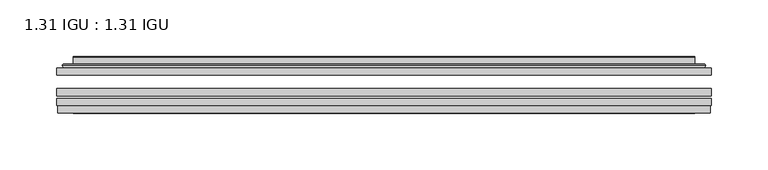
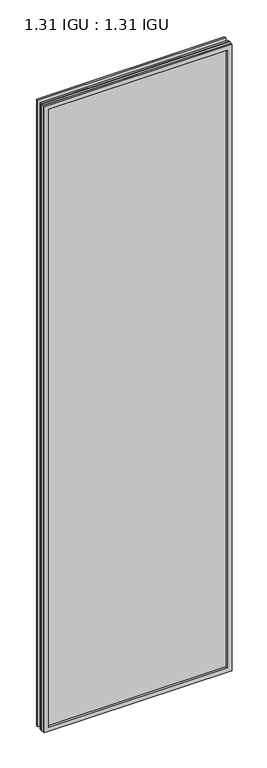
"""IFC4 building model written with IfcOpenShell, lengths in millimetres: plate geometry, 1.31 IGU : 1.31 IGU."""

from ifc_helpers import new_model, si_unit, frame, origin, place, context, project, spatial, polyline, ellipse_curve, outline, extrude, faceted_brep, source, transform, mapped, element, save
from ifc_brep_helpers import plane_surface, cylinder_surface, advanced_brep


def plate_1_31_igu_1_31_igu_deeb4e13(model_context):
    return source(origin(), model_context, "Body", "SolidModel", [
        extrude(outline(polyline([(287.351675, -63.59525), (287.351675, -69.94525), (-287.3375, -69.94525), (-287.3375, -63.59525), (287.351675, -63.59525)])), frame((0.0, 0.0, -14.2875), z_axis=(0.0, 0.0, 1.0), x_axis=(1.0, 0.0, 0.0)), (0.0, 0.0, 1.0), 2022.4787979),
        extrude(outline(polyline([(-287.3375, -78.58125), (-287.3375, -72.230745), (287.351675, -72.230745), (287.351675, -78.58125), (-287.3375, -78.58125)])), frame((0.0, 0.0, -14.2875), z_axis=(0.0, 0.0, 1.0), x_axis=(1.0, 0.0, 0.0)), (0.0, 0.0, 1.0), 2022.4787979),
        extrude(outline(polyline([(287.351675, -45.25645), (287.351675, -51.60645), (-287.3375, -51.60645), (-287.3375, -45.25645), (287.351675, -45.25645)])), frame((0.0, 0.0, -14.2875), z_axis=(0.0, 0.0, 1.0), x_axis=(1.0, 0.0, 0.0)), (0.0, 0.0, 1.0), 2022.4787979),
        faceted_brep([(-286.6373142, -84.93125, 2007.4873142), (-286.6373142, -78.58125, 2007.4873142), (-286.6373142, -78.58125, -13.5873142), (-286.6373142, -84.93125, -13.5873142), (286.6373142, -78.58125, -13.5873142), (286.6373142, -84.93125, -13.5873142), (286.6373142, -78.58125, 2007.4873142), (286.6373142, -84.93125, 2007.4873142), (-272.1522559, -78.58125, 0.8977441), (272.1522559, -78.58125, 0.8977441), (272.1522559, -78.58125, 1993.0022559), (-272.1522559, -78.58125, 1993.0022559), (-273.0446902, -84.93125, 1993.8946902), (273.0446902, -84.93125, 1993.8946902), (273.0446902, -84.93125, 0.0053098), (-273.0446902, -84.93125, 0.0053098)], [[[0, 1, 2, 3]], [[3, 2, 4, 5]], [[5, 4, 6, 7]], [[1, 6, 4, 2], [8, 9, 10, 11]], [[7, 6, 1, 0]], [[3, 5, 7, 0], [12, 13, 14, 15]], [[11, 12, 15, 8]], [[8, 15, 14, 9]], [[9, 14, 13, 10]], [[10, 13, 12, 11]]]),
        advanced_brep(
        [(-280.096219, -45.25645, 2000.946219), (-282.4504244, -43.2667833, 2003.3004244), (-282.4504244, -43.2667833, -9.4004244), (-280.096219, -45.25645, -7.046219), (-271.0218939, -41.416413, 1991.8718939), (-266.0870621, -45.25645, 1986.9370621), (-266.0870621, -45.25645, 6.9629379), (-271.0218939, -41.416413, 2.0281061), (-272.0539217, -36.0191819, 1992.9039217), (-272.0539217, -36.0191819, 0.9960783), (-273.0445784, -35.6202069, 1993.8945784), (-273.0445784, -35.6202069, 0.0054216), (-273.0445784, -42.08145, 1993.8945784), (-273.0445784, -42.08145, 0.0054216), (-281.4486349, -42.08145, 2002.2986349), (-281.4486349, -42.08145, -8.3986349), (282.4504244, -43.2667833, -9.4004244), (280.096219, -45.25645, -7.046219), (266.0870621, -45.25645, 6.9629379), (271.0218939, -41.416413, 2.0281061), (272.0539217, -36.0191819, 0.9960783), (273.0445784, -35.6202069, 0.0054216), (273.0445784, -42.08145, 0.0054216), (281.4486349, -42.08145, -8.3986349), (282.4504244, -43.2667833, 2003.3004244), (280.096219, -45.25645, 2000.946219), (266.0870621, -45.25645, 1986.9370621), (271.0218939, -41.416413, 1991.8718939), (272.0539217, -36.0191819, 1992.9039217), (273.0445784, -35.6202069, 1993.8945784), (273.0445784, -42.08145, 1993.8945784), (281.4486349, -42.08145, 2002.2986349)],
        [
            (0, 1, ellipse_curve(frame((-280.096219, -42.86885, 2000.946219), z_axis=(-0.7071067811865475, 0.0, -0.7071067811865475), x_axis=(-0.7071067811865474, 0.0, 0.7071067811865476)), 3.3765763, 2.3876)),
            (1, 2),
            (2, 3, ellipse_curve(frame((-280.096219, -42.86885, -7.046219), z_axis=(-0.7071067811865475, 0.0, 0.7071067811865475), x_axis=(0.7071067811865474, 0.0, 0.7071067811865476)), 3.3765763, 2.3876)),
            (3, 0),
            (4, 5),
            (5, 6),
            (6, 7),
            (7, 4),
            (8, 4),
            (7, 9),
            (9, 8),
            (10, 8, ellipse_curve(frame((-272.6776219, -36.1384423, 1993.5276219), z_axis=(-0.7071067811865475, 0.0, -0.7071067811865475), x_axis=(-0.7071067811865474, 0.0, 0.7071067811865476)), 0.8980256, 0.635)),
            (9, 11, ellipse_curve(frame((-272.6776219, -36.1384423, 0.3723781), z_axis=(-0.7071067811865475, 0.0, 0.7071067811865475), x_axis=(0.7071067811865474, 0.0, 0.7071067811865476)), 0.8980256, 0.635)),
            (11, 10),
            (12, 10),
            (11, 13),
            (13, 12),
            (1, 14, ellipse_curve(frame((-281.4486349, -43.09745, 2002.2986349), z_axis=(-0.7071067811865475, 0.0, -0.7071067811865475), x_axis=(-0.7071067811865474, 0.0, 0.7071067811865476)), 1.436841, 1.016)),
            (14, 15),
            (15, 2, ellipse_curve(frame((-281.4486349, -43.09745, -8.3986349), z_axis=(-0.7071067811865475, 0.0, 0.7071067811865475), x_axis=(0.7071067811865474, 0.0, 0.7071067811865476)), 1.436841, 1.016)),
            (2, 16),
            (16, 17, ellipse_curve(frame((280.096219, -42.86885, -7.046219), z_axis=(-0.7071067811865475, 0.0, -0.7071067811865475), x_axis=(-0.7071067811865476, 0.0, 0.7071067811865474)), 3.3765763, 2.3876)),
            (17, 3),
            (6, 18),
            (18, 19),
            (19, 7),
            (19, 20),
            (20, 9),
            (20, 21, ellipse_curve(frame((272.6776219, -36.1384423, 0.3723781), z_axis=(-0.7071067811865475, 0.0, -0.7071067811865475), x_axis=(-0.7071067811865476, 0.0, 0.7071067811865474)), 0.8980256, 0.635)),
            (21, 11),
            (21, 22),
            (22, 13),
            (15, 23),
            (23, 16, ellipse_curve(frame((281.4486349, -43.09745, -8.3986349), z_axis=(-0.7071067811865475, 0.0, -0.7071067811865475), x_axis=(-0.7071067811865476, 0.0, 0.7071067811865474)), 1.436841, 1.016)),
            (16, 24),
            (24, 25, ellipse_curve(frame((280.096219, -42.86885, 2000.946219), z_axis=(0.7071067811865475, 0.0, -0.7071067811865475), x_axis=(-0.7071067811865474, 0.0, -0.7071067811865476)), 3.3765763, 2.3876)),
            (25, 17),
            (18, 26),
            (26, 27),
            (27, 19),
            (27, 28),
            (28, 20),
            (28, 29, ellipse_curve(frame((272.6776219, -36.1384423, 1993.5276219), z_axis=(0.7071067811865475, 0.0, -0.7071067811865475), x_axis=(-0.7071067811865474, 0.0, -0.7071067811865476)), 0.8980256, 0.635)),
            (29, 21),
            (29, 30),
            (30, 22),
            (23, 31),
            (31, 24, ellipse_curve(frame((281.4486349, -43.09745, 2002.2986349), z_axis=(0.7071067811865475, 0.0, -0.7071067811865475), x_axis=(-0.7071067811865474, 0.0, -0.7071067811865476)), 1.436841, 1.016)),
            (24, 1),
            (0, 25),
            (5, 26),
            (4, 27),
            (8, 28),
            (10, 29),
            (12, 30),
            (14, 31),
        ],
        [
            cylinder_surface(frame((-280.096219, -42.86885, 2025.65), z_axis=(0.0, 0.0, 1.0), x_axis=(-1.0, 0.0, 0.0)), 2.3876),
            plane_surface(frame((-266.0870621, -45.25645, 1986.9370621), z_axis=(0.6141233906514794, 0.7892100234124821, 0.0), x_axis=(0.0, 0.0, -1.0))),
            plane_surface(frame((-271.0218939, -41.416413, 1991.8718939), z_axis=(0.9822050625507729, 0.18781164793386076, 0.0), x_axis=(0.0, 0.0, -1.0))),
            cylinder_surface(frame((-272.6776219, -36.1384423, 2025.65), z_axis=(0.0, 0.0, 1.0), x_axis=(-1.0, 0.0, 0.0)), 0.635),
            plane_surface(frame((-273.0445784, -35.6202069, 1993.8945784), z_axis=(-1.0, 0.0, 0.0), x_axis=(0.0, 0.0, -1.0))),
            cylinder_surface(frame((-281.4486349, -43.09745, 2025.65), z_axis=(0.0, 0.0, 1.0), x_axis=(-1.0, 0.0, 0.0)), 1.016),
            cylinder_surface(frame((-304.8, -42.86885, -7.046219), z_axis=(-1.0, 0.0, 0.0), x_axis=(0.0, 0.0, -1.0)), 2.3876),
            plane_surface(frame((-266.0870621, -45.25645, 6.9629379), z_axis=(0.0, 0.7892100234124841, 0.6141233906514768), x_axis=(1.0, 0.0, 0.0))),
            plane_surface(frame((-271.0218939, -41.416413, 2.0281061), z_axis=(0.0, 0.18781164793386393, 0.9822050625507723), x_axis=(1.0, 0.0, 0.0))),
            cylinder_surface(frame((-304.8, -36.1384423, 0.3723781), z_axis=(-1.0, 0.0, 0.0), x_axis=(0.0, 0.0, -1.0)), 0.635),
            plane_surface(frame((-273.0445784, -35.6202069, 0.0054216), z_axis=(0.0, 0.0, -1.0), x_axis=(1.0, 0.0, 0.0))),
            cylinder_surface(frame((-304.8, -43.09745, -8.3986349), z_axis=(-1.0, 0.0, 0.0), x_axis=(0.0, 0.0, -1.0)), 1.016),
            cylinder_surface(frame((280.096219, -42.86885, -31.75), z_axis=(0.0, 0.0, -1.0), x_axis=(1.0, 0.0, 0.0)), 2.3876),
            plane_surface(frame((266.0870621, -45.25645, 6.9629379), z_axis=(-0.6141233906514743, 0.7892100234124861, 0.0), x_axis=(0.0, 0.0, 1.0))),
            plane_surface(frame((271.0218939, -41.416413, 2.0281061), z_axis=(-0.9822050625507718, 0.1878116479338671, 0.0), x_axis=(0.0, 0.0, 1.0))),
            cylinder_surface(frame((272.6776219, -36.1384423, -31.75), z_axis=(0.0, 0.0, -1.0), x_axis=(1.0, 0.0, 0.0)), 0.635),
            plane_surface(frame((273.0445784, -35.6202069, 0.0054216), z_axis=(1.0, 0.0, 0.0), x_axis=(0.0, 0.0, 1.0))),
            cylinder_surface(frame((281.4486349, -43.09745, -31.75), z_axis=(0.0, 0.0, -1.0), x_axis=(1.0, 0.0, 0.0)), 1.016),
            cylinder_surface(frame((304.8, -42.86885, 2000.946219), z_axis=(1.0, 0.0, 0.0), x_axis=(0.0, 0.0, 1.0)), 2.3876),
            plane_surface(frame((280.096219, -45.25645, 2000.946219), z_axis=(0.0, -1.0, 0.0), x_axis=(-1.0, 0.0, 0.0))),
            plane_surface(frame((266.0870621, -45.25645, 1986.9370621), z_axis=(0.0, 0.7892100234124841, -0.6141233906514768), x_axis=(-1.0, 0.0, 0.0))),
            plane_surface(frame((271.0218939, -41.416413, 1991.8718939), z_axis=(0.0, 0.18781164793386393, -0.9822050625507723), x_axis=(-1.0, 0.0, 0.0))),
            cylinder_surface(frame((304.8, -36.1384423, 1993.5276219), z_axis=(1.0, 0.0, 0.0), x_axis=(0.0, 0.0, 1.0)), 0.635),
            plane_surface(frame((273.0445784, -35.6202069, 1993.8945784), z_axis=(0.0, 0.0, 1.0), x_axis=(-1.0, 0.0, 0.0))),
            plane_surface(frame((273.0445784, -42.08145, 1993.8945784), z_axis=(0.0, 1.0, 0.0), x_axis=(-1.0, 0.0, 0.0))),
            cylinder_surface(frame((304.8, -43.09745, 2002.2986349), z_axis=(1.0, 0.0, 0.0), x_axis=(0.0, 0.0, 1.0)), 1.016),
        ],
        [
            (0, [[1, 2, 3, 4]]),
            (1, [[5, 6, 7, 8]]),
            (2, [[9, -8, 10, 11]]),
            (3, [[12, -11, 13, 14]]),
            (4, [[15, -14, 16, 17]]),
            (5, [[18, 19, 20, -2]]),
            (6, [[-3, 21, 22, 23]]),
            (7, [[-7, 24, 25, 26]]),
            (8, [[-10, -26, 27, 28]]),
            (9, [[-13, -28, 29, 30]]),
            (10, [[-16, -30, 31, 32]]),
            (11, [[-20, 33, 34, -21]]),
            (12, [[-22, 35, 36, 37]]),
            (13, [[-25, 38, 39, 40]]),
            (14, [[-27, -40, 41, 42]]),
            (15, [[-29, -42, 43, 44]]),
            (16, [[-31, -44, 45, 46]]),
            (17, [[-34, 47, 48, -35]]),
            (18, [[-36, 49, -1, 50]]),
            (19, [[-23, -37, -50, -4], [51, -38, -24, -6]]),
            (20, [[-39, -51, -5, 52]]),
            (21, [[-41, -52, -9, 53]]),
            (22, [[-43, -53, -12, 54]]),
            (23, [[-45, -54, -15, 55]]),
            (24, [[56, -47, -33, -19], [-32, -46, -55, -17]]),
            (25, [[-48, -56, -18, -49]]),
        ],
    ),
    ])


if __name__ == "__main__":
    model = new_model("IFC4")
    model_context = context("Model", 3, world=origin())
    ifc_project = project(units=[si_unit("LENGTHUNIT", "METRE", prefix="MILLI")], contexts=[model_context])
    site = spatial("IfcSite", under=ifc_project)
    building = spatial("IfcBuilding", under=site)
    placement = place(None, origin())
    plate_1_31_igu_1_31_igu_shape = plate_1_31_igu_1_31_igu_deeb4e13(model_context)
    element("IfcPlate", 1, ObjectType="1.31 IGU : 1.31 IGU", at=placement, inside=building, context=model_context, shape_type="MappedRepresentation", body=[
        mapped(plate_1_31_igu_1_31_igu_shape, transform((0.0, 0.0, 0.0), x_axis=(1.0, 0.0, 0.0), y_axis=(0.0, 1.0, 0.0), z_axis=(0.0, 0.0, 1.0))),
    ])
    save(model, "model.ifc")
